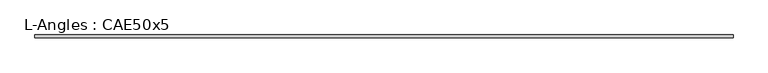
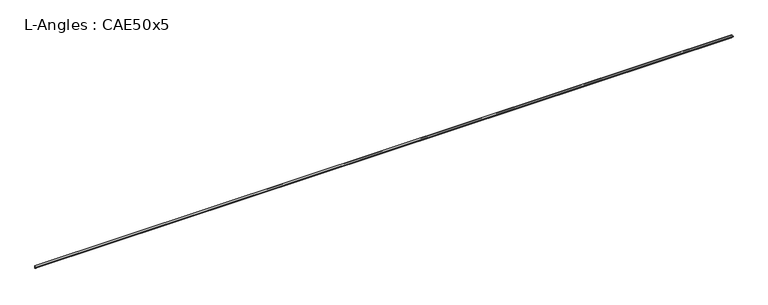
"""IFC4 building model written with IfcOpenShell, lengths in millimetres: beam geometry, L-Angles : CAE50x5."""

import ifcopenshell
import ifcopenshell.guid

model = None  # the IFC model being written
_history = None  # IfcOwnerHistory: only IFC2X3 demands one
_inside = {}  # id of a spatial element -> (the spatial element, [elements in it])
_under = {}  # id of a project, library or spatial element -> (it, [spatial elements below it])
_declared = {}  # id of a project -> (the project, [libraries it declares])
_typed = {}  # id of a type object -> (the type object, [elements of that type])
_made_of = {}  # id of a material, layer set ... -> (it, [elements and type objects made of it])


def new_model(schema):
    """Start an empty IFC model of exactly this schema.

    Asked for "IFC4X3", IfcOpenShell would pick the latest addendum, in which some entities
    have other attributes; the version numbers below select the first issue.
    IFC2X3 requires an IfcOwnerHistory on every rooted entity: one is made here for all.
    """
    global model, _history
    if schema == "IFC4X3":
        model = ifcopenshell.file(schema_version=(4, 3, 0, 0))
    else:
        model = ifcopenshell.file(schema=schema)
    _inside.clear()
    _under.clear()
    _declared.clear()
    _typed.clear()
    _made_of.clear()
    _history = None
    if model.schema == "IFC2X3":
        org = make("IfcOrganization", Name="unknown")
        user = make(
            "IfcPersonAndOrganization",
            ThePerson=make("IfcPerson", FamilyName="unknown"),
            TheOrganization=org,
        )
        app = make(
            "IfcApplication",
            ApplicationDeveloper=org,
            Version="unknown",
            ApplicationFullName="unknown",
            ApplicationIdentifier="unknown",
        )
        _history = make(
            "IfcOwnerHistory",
            OwningUser=user,
            OwningApplication=app,
            ChangeAction="ADDED",
            CreationDate=0,
        )
    return model


def make(cls, **values):
    """One entity of the class cls with the attributes given. An attribute that is None is left unset."""
    return model.create_entity(
        cls, **{name: value for name, value in values.items() if value is not None}
    )


def rooted(cls, **values):
    """An entity with a GlobalId (a new one), such as an element, a storey or a relation."""
    return make(cls, GlobalId=ifcopenshell.guid.new(), OwnerHistory=_history, **values)


def si_unit(unit_type, name, prefix=None):
    """IfcSIUnit, for example si_unit("LENGTHUNIT", "METRE", prefix="MILLI")."""
    return make("IfcSIUnit", UnitType=unit_type, Prefix=prefix, Name=name)


def assignment(units):
    """IfcUnitAssignment: the units of a project."""
    return None if units is None else make("IfcUnitAssignment", Units=units)


def point(xyz):
    """IfcCartesianPoint."""
    return None if xyz is None else make("IfcCartesianPoint", Coordinates=xyz)


def direction(xyz):
    """IfcDirection."""
    return None if xyz is None else make("IfcDirection", DirectionRatios=xyz)


def frame(location, z_axis=None, x_axis=None):
    """IfcAxis2Placement3D, a coordinate frame: its origin and axes. An axis left out is left unset."""
    return make(
        "IfcAxis2Placement3D",
        Location=point(location),
        Axis=direction(z_axis),
        RefDirection=direction(x_axis),
    )


def frame_2d(location, x_axis=None):
    """IfcAxis2Placement2D, a coordinate frame in the plane: its origin and x axis."""
    return make(
        "IfcAxis2Placement2D", Location=point(location), RefDirection=direction(x_axis)
    )


def origin():
    """The frame at (0, 0, 0) with its axes left unset."""
    return frame((0.0, 0.0, 0.0))


def place(relative_to, where):
    """IfcLocalPlacement: puts the frame where relative to a parent placement (None: the world)."""
    return make(
        "IfcLocalPlacement", PlacementRelTo=relative_to, RelativePlacement=where
    )


def context(
    kind, dimensions, precision=None, world=None, true_north=None, identifier=None
):
    """IfcGeometricRepresentationContext, for example the 3D "Model" context."""
    return make(
        "IfcGeometricRepresentationContext",
        ContextIdentifier=identifier,
        ContextType=kind,
        CoordinateSpaceDimension=dimensions,
        Precision=precision,
        WorldCoordinateSystem=world,
        TrueNorth=true_north,
    )


def project(units=None, contexts=None):
    """IfcProject with its units and contexts."""
    return rooted(
        "IfcProject",
        Name="project",
        RepresentationContexts=contexts,
        UnitsInContext=assignment(units),
    )


def spatial(cls, under=None, at=None, **own):
    """A site, building, storey or space (cls), placed at a placement, below another one or the project."""
    s = rooted(cls, ObjectPlacement=at, **own)
    if under is not None:
        _under.setdefault(under.id(), (under, []))[1].append(s)
    return s


def polyline(points):
    """IfcPolyline through the points."""
    return make("IfcPolyline", Points=[point(p) for p in points])


def circle_curve(where, radius):
    """IfcCircle in the frame where."""
    return make("IfcCircle", Position=where, Radius=radius)


def trimmed(basis, trim1, trim2, sense, master):
    """IfcTrimmedCurve: the piece of a basis curve between two trims."""
    return make(
        "IfcTrimmedCurve",
        BasisCurve=basis,
        Trim1=trim1,
        Trim2=trim2,
        SenseAgreement=sense,
        MasterRepresentation=master,
    )


def segment(curve, same_sense, transition):
    """IfcCompositeCurveSegment."""
    return make(
        "IfcCompositeCurveSegment",
        Transition=transition,
        SameSense=same_sense,
        ParentCurve=curve,
    )


def composite_curve(segments, self_intersect=None):
    """IfcCompositeCurve: segments joined end to end."""
    return make("IfcCompositeCurve", Segments=segments, SelfIntersect=self_intersect)


def outline(outer, holes=None, kind="AREA"):
    """IfcArbitraryClosedProfileDef: a profile drawn as a closed curve; with holes, ...WithVoids."""
    if holes is None:
        return make("IfcArbitraryClosedProfileDef", ProfileType=kind, OuterCurve=outer)
    return make(
        "IfcArbitraryProfileDefWithVoids",
        ProfileType=kind,
        OuterCurve=outer,
        InnerCurves=holes,
    )


def extrude(swept, where, along, depth):
    """IfcExtrudedAreaSolid: the profile swept, set in the frame where, extruded along a direction by depth."""
    return make(
        "IfcExtrudedAreaSolid",
        SweptArea=swept,
        Position=where,
        ExtrudedDirection=direction(along),
        Depth=depth,
    )


def shape(context_of_items, identifier, shape_type, items):
    """IfcShapeRepresentation: the items that make up one representation, for example the "Body"."""
    return make(
        "IfcShapeRepresentation",
        ContextOfItems=context_of_items,
        RepresentationIdentifier=identifier,
        RepresentationType=shape_type,
        Items=items,
    )


def source(mapping_origin, context_of_items, identifier, shape_type, items):
    """IfcRepresentationMap: a shape defined once, which mapped items show again and again."""
    return make(
        "IfcRepresentationMap",
        MappingOrigin=mapping_origin,
        MappedRepresentation=shape(context_of_items, identifier, shape_type, items),
    )


def transform(
    local_origin,
    x_axis=None,
    y_axis=None,
    z_axis=None,
    scale=None,
    scale2=None,
    scale3=None,
    uniform=True,
):
    """IfcCartesianTransformationOperator3D, or its non-uniform kind. x_axis, y_axis, z_axis: its Axis1, 2, 3."""
    if uniform:
        return make(
            "IfcCartesianTransformationOperator3D",
            Axis1=direction(x_axis),
            Axis2=direction(y_axis),
            LocalOrigin=point(local_origin),
            Scale=scale,
            Axis3=direction(z_axis),
        )
    return make(
        "IfcCartesianTransformationOperator3DnonUniform",
        Axis1=direction(x_axis),
        Axis2=direction(y_axis),
        LocalOrigin=point(local_origin),
        Scale=scale,
        Axis3=direction(z_axis),
        Scale2=scale2,
        Scale3=scale3,
    )


def mapped(mapping_source, mapping_target):
    """IfcMappedItem: shows the shape of a source again, moved by a transform."""
    return make(
        "IfcMappedItem", MappingSource=mapping_source, MappingTarget=mapping_target
    )


def made_of(thing, what):
    """Note that an element or type object is made of a material, layer set ...; save() writes the relation."""
    if what is not None:
        _made_of.setdefault(what.id(), (what, []))[1].append(thing)
    return thing


def element(
    cls,
    number,
    at=None,
    inside=None,
    cuts=None,
    type_object=None,
    material=None,
    context=None,
    identifier="Body",
    shape_type=None,
    held_by="IfcProductDefinitionShape",
    body=None,
    shapes=None,
    **own,
):
    """One element of the class cls, such as IfcWall. Its Tag is "e" and its number.

    at: its placement. inside: the storey or other place that contains it. cuts: it is an
    opening in that element (IfcRelVoidsElement). A single representation is given by context,
    identifier, shape_type and body (its items); several are given by shapes. held_by: the class
    of the entity that holds the representations. save() writes the other relations.
    """
    e = rooted(cls, Tag="e%d" % number, ObjectPlacement=at, **own)
    if body is not None:
        shapes = [shape(context, identifier, shape_type, body)]
    if shapes is not None:
        e.Representation = make(held_by, Representations=shapes)
    if inside is not None:
        _inside.setdefault(inside.id(), (inside, []))[1].append(e)
    if cuts is not None:
        rooted(
            "IfcRelVoidsElement", RelatingBuildingElement=cuts, RelatedOpeningElement=e
        )
    if type_object is not None:
        _typed.setdefault(type_object.id(), (type_object, []))[1].append(e)
    return made_of(e, material)


def aggregate(whole, parts):
    """IfcRelAggregates: a whole, such as a stair, and the parts it consists of."""
    return rooted("IfcRelAggregates", RelatingObject=whole, RelatedObjects=parts)


def save(model, path):
    """Write the relations noted so far, then the file.

    IfcRelAggregates (storeys below a building ...), IfcRelContainedInSpatialStructure (elements
    in a storey), IfcRelDefinesByType, IfcRelAssociatesMaterial and IfcRelDeclares: one each for
    every whole, place, type object, material and project.
    """
    for whole, parts in _under.values():
        aggregate(whole, parts)
    for where, things in _inside.values():
        rooted(
            "IfcRelContainedInSpatialStructure",
            RelatedElements=things,
            RelatingStructure=where,
        )
    for kind, things in _typed.values():
        rooted("IfcRelDefinesByType", RelatedObjects=things, RelatingType=kind)
    for what, things in _made_of.values():
        rooted("IfcRelAssociatesMaterial", RelatedObjects=things, RelatingMaterial=what)
    for by, libraries in _declared.values():
        rooted("IfcRelDeclares", RelatingContext=by, RelatedDefinitions=libraries)
    model.write(path)


def l_angles_cae50x5_3f6dd3a0(model_context):
    return source(origin(), model_context, "Body", "SweptSolid", [
        extrude(outline(composite_curve([segment(polyline([(14.0, 14.0), (14.0, -36.0)]), True, "CONTINUOUS"), segment(trimmed(circle_curve(frame_2d((14.0, -31.0)), 5.0), [point((14.0, -36.0))], [point((9.0, -31.0))], False, "CARTESIAN"), True, "CONTINUOUS"), segment(polyline([(9.0, -31.0), (9.0, 4.0)]), True, "CONTINUOUS"), segment(trimmed(circle_curve(frame_2d((4.0, 4.0)), 5.0), [point((9.0, 4.0))], [point((4.0, 9.0))], True, "CARTESIAN"), True, "CONTINUOUS"), segment(polyline([(4.0, 9.0), (-31.0, 9.0)]), True, "CONTINUOUS"), segment(trimmed(circle_curve(frame_2d((-31.0, 14.0)), 5.0), [point((-31.0, 9.0))], [point((-36.0, 14.0))], False, "CARTESIAN"), True, "CONTINUOUS"), segment(polyline([(-36.0, 14.0), (14.0, 14.0)]), True, "CONTINUOUS")], self_intersect=False)), frame((-6448.0, 0.0, 0.0), z_axis=(1.0, 0.0, 0.0), x_axis=(0.0, 1.0, 0.0)), (0.0, 0.0, 1.0), 12871.0),
    ])


if __name__ == "__main__":
    model = new_model("IFC4")
    model_context = context("Model", 3, world=origin())
    ifc_project = project(units=[si_unit("LENGTHUNIT", "METRE", prefix="MILLI")], contexts=[model_context])
    site = spatial("IfcSite", under=ifc_project)
    building = spatial("IfcBuilding", under=site)
    placement = place(None, origin())
    l_angles_cae50x5_shape = l_angles_cae50x5_3f6dd3a0(model_context)
    element("IfcBeam", 1, ObjectType="L-Angles : CAE50x5", at=placement, inside=building, context=model_context, shape_type="MappedRepresentation", body=[
        mapped(l_angles_cae50x5_shape, transform((0.0, 0.0, 0.0), x_axis=(1.0, 0.0, 0.0), y_axis=(0.0, 1.0, 0.0), z_axis=(0.0, 0.0, 1.0))),
    ])
    save(model, "model.ifc")
